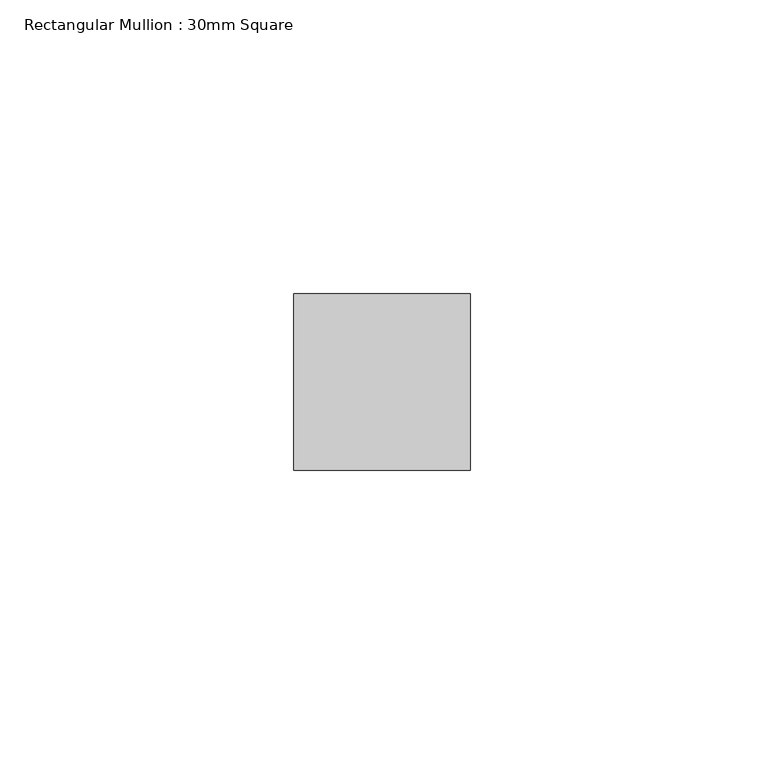
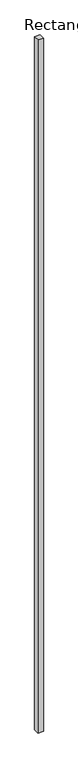
"""IFC4 building model written with IfcOpenShell, lengths in millimetres: member geometry, Rectangular Mullion : 30mm Square."""

from ifc_helpers import new_model, si_unit, frame, origin, place, context, project, spatial, polyline, outline, extrude, source, transform, mapped, element, save


def rectangular_mullion_30mm_square_2a99bbf3(model_context):
    return source(origin(), model_context, "Body", "SweptSolid", [
        extrude(outline(polyline([(15.0, 15.0), (15.0, -15.0), (-15.0, -15.0), (-15.0, 15.0), (15.0, 15.0)])), frame((0.0, 0.0, -4000.0), z_axis=(0.0, 0.0, 1.0), x_axis=(1.0, 0.0, 0.0)), (0.0, 0.0, 1.0), 4000.0),
    ])


if __name__ == "__main__":
    model = new_model("IFC4")
    model_context = context("Model", 3, world=origin())
    ifc_project = project(units=[si_unit("LENGTHUNIT", "METRE", prefix="MILLI")], contexts=[model_context])
    site = spatial("IfcSite", under=ifc_project)
    building = spatial("IfcBuilding", under=site)
    placement = place(None, origin())
    rectangular_mullion_30mm_square_shape = rectangular_mullion_30mm_square_2a99bbf3(model_context)
    element("IfcMember", 1, ObjectType="Rectangular Mullion : 30mm Square", at=placement, inside=building, context=model_context, shape_type="MappedRepresentation", body=[
        mapped(rectangular_mullion_30mm_square_shape, transform((0.0, 0.0, 0.0), x_axis=(1.0, 0.0, 0.0), y_axis=(0.0, 1.0, 0.0), z_axis=(0.0, 0.0, 1.0))),
    ])
    save(model, "model.ifc")
